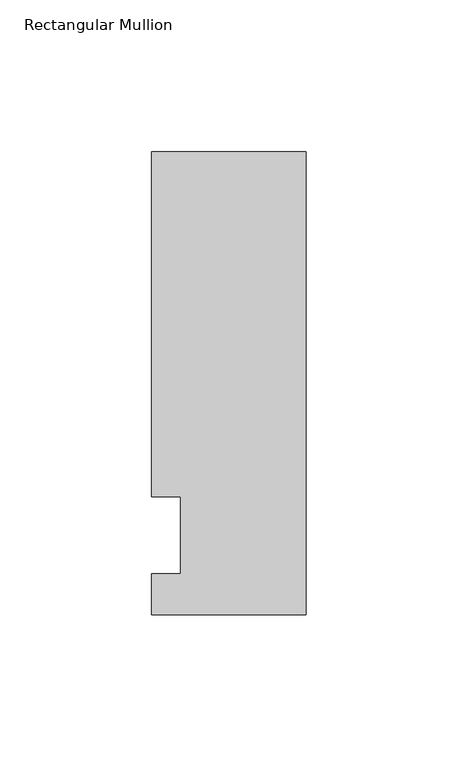
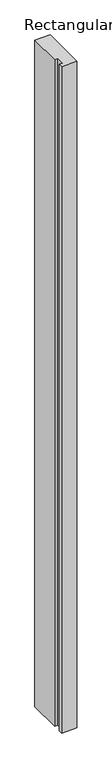
"""IFC4 building model written with IfcOpenShell, lengths in millimetres: member geometry, Rectangular Mullion."""

from ifc_helpers import new_model, si_unit, frame, origin, place, context, project, spatial, polyline, outline, extrude, source, transform, mapped, element, save


def rectangular_mullion_0794bbd9(model_context):
    return source(origin(), model_context, "Body", "SweptSolid", [
        extrude(outline(polyline([(-50.8, -26.19375), (-50.8, -12.7), (-41.275, -12.7), (-41.275, 12.7), (-50.8, 12.7), (-50.8, 126.20625), (0.0, 126.20625), (0.0, -26.19375), (-50.8, -26.19375)])), frame((0.0, 0.0, -2324.1), z_axis=(0.0, 0.0, 1.0), x_axis=(1.0, 0.0, 0.0)), (0.0, 0.0, 1.0), 2324.1),
    ])


if __name__ == "__main__":
    model = new_model("IFC4")
    model_context = context("Model", 3, world=origin())
    ifc_project = project(units=[si_unit("LENGTHUNIT", "METRE", prefix="MILLI")], contexts=[model_context])
    site = spatial("IfcSite", under=ifc_project)
    building = spatial("IfcBuilding", under=site)
    placement = place(None, origin())
    rectangular_mullion_shape = rectangular_mullion_0794bbd9(model_context)
    element("IfcMember", 1, ObjectType="Rectangular Mullion", at=placement, inside=building, context=model_context, shape_type="MappedRepresentation", body=[
        mapped(rectangular_mullion_shape, transform((0.0, 0.0, 0.0), x_axis=(1.0, 0.0, 0.0), y_axis=(0.0, 1.0, 0.0), z_axis=(0.0, 0.0, 1.0))),
    ])
    save(model, "model.ifc")
